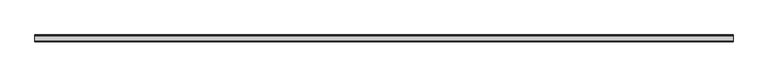
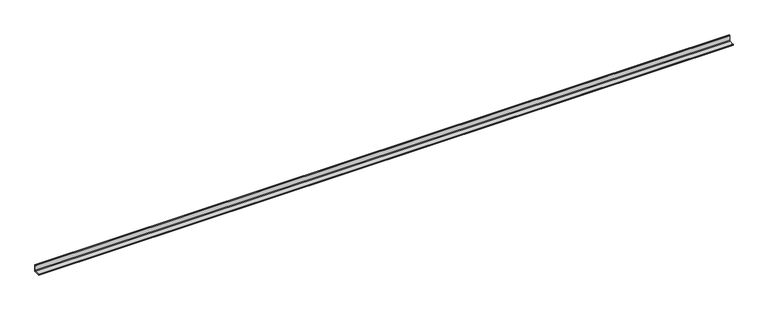
"""IFC4 building model written with IfcOpenShell, lengths in millimetres: beam geometry."""

from ifc_helpers import new_model, si_unit, point, frame, frame_2d, origin, place, context, project, spatial, polyline, circle_curve, trimmed, segment, composite_curve, outline, extrude, source, transform, mapped, element, save


def beam_c29874a6(model_context):
    return source(origin(), model_context, "Body", "SweptSolid", [
        extrude(outline(composite_curve([segment(polyline([(21.3, -21.3), (-53.7, -21.3), (-53.7, -18.3)]), True, "CONTINUOUS"), segment(trimmed(circle_curve(frame_2d((-48.7, -18.3)), 5.0), [point((-53.7, -18.3))], [point((-48.7, -13.3))], False, "CARTESIAN"), True, "CONTINUOUS"), segment(polyline([(-48.7, -13.3), (5.3, -13.3)]), True, "CONTINUOUS"), segment(trimmed(circle_curve(frame_2d((5.3, -5.3)), 8.0), [point((5.3, -13.3))], [point((13.3, -5.3))], True, "CARTESIAN"), True, "CONTINUOUS"), segment(polyline([(13.3, -5.3), (13.3, 48.7)]), True, "CONTINUOUS"), segment(trimmed(circle_curve(frame_2d((18.3, 48.7)), 5.0), [point((13.3, 48.7))], [point((18.3, 53.7))], False, "CARTESIAN"), True, "CONTINUOUS"), segment(polyline([(18.3, 53.7), (21.3, 53.7), (21.3, -21.3)]), True, "CONTINUOUS")], self_intersect=False)), frame((-3884.5, 0.0, 0.0), z_axis=(1.0, 0.0, 0.0), x_axis=(0.0, 1.0, 0.0)), (0.0, 0.0, 1.0), 7781.0),
    ])


if __name__ == "__main__":
    model = new_model("IFC4")
    model_context = context("Model", 3, world=origin())
    ifc_project = project(units=[si_unit("LENGTHUNIT", "METRE", prefix="MILLI")], contexts=[model_context])
    site = spatial("IfcSite", under=ifc_project)
    building = spatial("IfcBuilding", under=site)
    placement = place(None, origin())
    beam_shape = beam_c29874a6(model_context)
    element("IfcBeam", 1, at=placement, inside=building, context=model_context, shape_type="MappedRepresentation", body=[
        mapped(beam_shape, transform((0.0, 0.0, 0.0), x_axis=(1.0, 0.0, 0.0), y_axis=(0.0, 1.0, 0.0), z_axis=(0.0, 0.0, 1.0))),
    ])
    save(model, "model.ifc")
